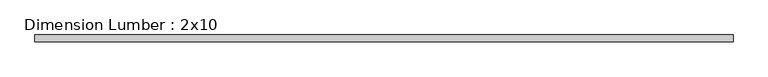
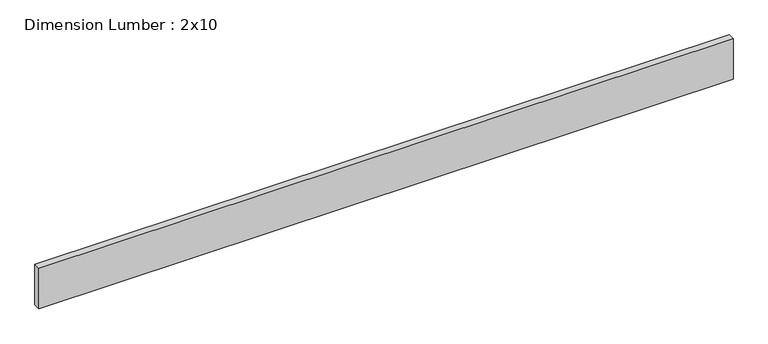
"""IFC4 building model written with IfcOpenShell, lengths in millimetres: beam geometry, Dimension Lumber : 2x10."""

from ifc_helpers import new_model, si_unit, frame, origin, place, context, project, spatial, polyline, outline, extrude, source, transform, mapped, element, save


def dimension_lumber_2x10_f940610f(model_context):
    return source(origin(), model_context, "Body", "SweptSolid", [
        extrude(outline(polyline([(1905.4416096, 19.05), (1905.4416096, -19.05), (-1905.4416096, -19.05), (-1905.4416096, 19.05), (1905.4416096, 19.05)])), frame((0.0, 0.0, -117.475), z_axis=(0.0, 0.0, 1.0), x_axis=(1.0, 0.0, 0.0)), (0.0, 0.0, 1.0), 234.95),
    ])


if __name__ == "__main__":
    model = new_model("IFC4")
    model_context = context("Model", 3, world=origin())
    ifc_project = project(units=[si_unit("LENGTHUNIT", "METRE", prefix="MILLI")], contexts=[model_context])
    site = spatial("IfcSite", under=ifc_project)
    building = spatial("IfcBuilding", under=site)
    placement = place(None, origin())
    dimension_lumber_2x10_shape = dimension_lumber_2x10_f940610f(model_context)
    element("IfcBeam", 1, ObjectType="Dimension Lumber : 2x10", at=placement, inside=building, context=model_context, shape_type="MappedRepresentation", body=[
        mapped(dimension_lumber_2x10_shape, transform((0.0, 0.0, 0.0), x_axis=(1.0, 0.0, 0.0), y_axis=(0.0, 1.0, 0.0), z_axis=(0.0, 0.0, 1.0))),
    ])
    save(model, "model.ifc")
